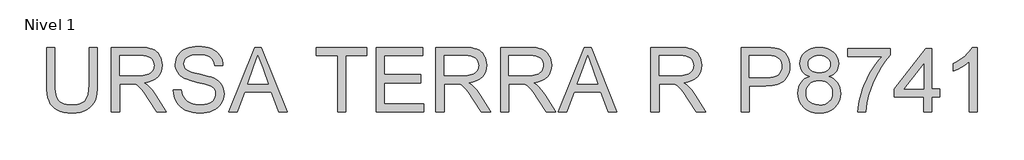
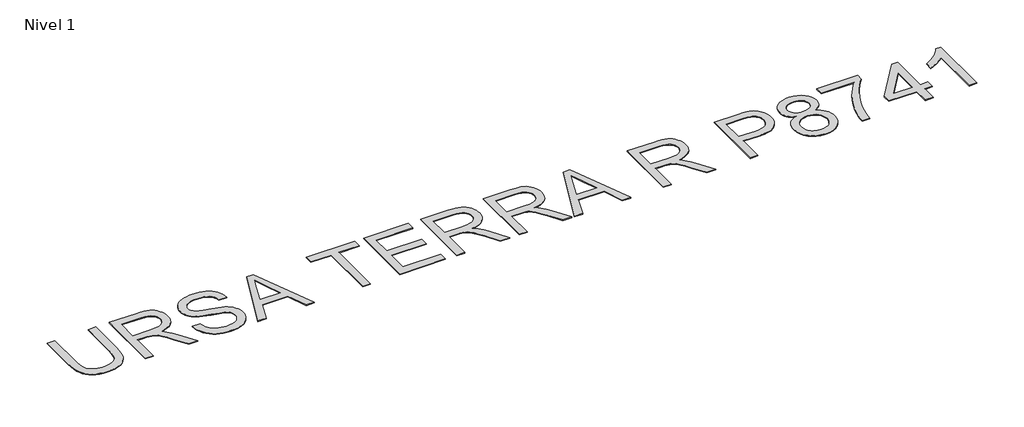
# One storey, part 2 of 8: 1 proxy.
"""IFC4 building model written with IfcOpenShell, lengths in millimetres."""

from ifc_helpers import new_model, si_unit, origin, origin_with_axes, place, context, project, spatial, polyline, outline, extrude, element, save

model = new_model("IFC4")

# Units and contexts
model_context = context("Model", 3, world=origin())
ifc_project = project(units=[si_unit("LENGTHUNIT", "METRE", prefix="MILLI")], contexts=[model_context])

# Site, building, storey
site = spatial("IfcSite", under=ifc_project)
building = spatial("IfcBuilding", under=site)
storey = spatial("IfcBuildingStorey", under=building, Name="Nivel 1", Elevation=0.0)

# Proxy
placement = place(None, origin())
element("IfcBuildingElementProxy", 1, Name="Texto de modelo 2", ObjectType="Texto de modelo 2", at=placement, inside=storey, context=model_context, shape_type="SweptSolid", body=[
    extrude(outline(polyline([(-9262.9050584, -14523.5321087), (-9137.3346707, -14523.5321087), (-9137.3346707, -15103.0688785), (-9139.4653206, -15174.8288601), (-9145.8572702, -15238.7866778), (-9156.5105197, -15294.9423316), (-9171.4250689, -15343.2958213), (-9191.8885049, -15385.6788928), (-9219.1884146, -15423.9232919), (-9253.3247981, -15458.0290186), (-9294.2976553, -15487.9960727), (-9342.1529715, -15512.406576), (-9396.9367319, -15529.8426497), (-9458.6489366, -15540.3042939), (-9527.2895856, -15543.7915087), (-9594.2364445, -15540.7564822), (-9654.7913537, -15531.6514028), (-9708.9543133, -15516.4762705), (-9756.7253232, -15495.2310853), (-9798.1120477, -15468.2300797), (-9833.1221509, -15435.7874863), (-9861.7556328, -15397.903305), (-9884.0124935, -15354.5775358), (-9900.6974749, -15304.3233224), (-9912.6153187, -15245.6538084), (-9919.7660249, -15178.5689938), (-9922.1495937, -15103.0688785), (-9922.1495937, -14523.5321087), (-9796.579206, -14523.5321087), (-9796.579206, -15098.6542945), (-9795.031036, -15159.3624879), (-9790.3865258, -15211.5020965), (-9782.6456755, -15255.0731203), (-9771.808485, -15290.0755593), (-9757.2005041, -15319.0386022), (-9738.1472825, -15344.4914378), (-9714.64882, -15366.434066), (-9686.7051168, -15384.8664868), (-9654.8526674, -15399.4591392), (-9619.6279663, -15409.8824624), (-9581.0310137, -15416.1364564), (-9539.0618094, -15418.221121), (-9469.8540091, -15414.097777), (-9411.3454434, -15401.7277449), (-9363.5361124, -15381.1110247), (-9343.64366, -15367.7101566), (-9326.4260162, -15352.2476165), (-9311.5382917, -15333.8535168), (-9298.6355971, -15311.6579697), (-9278.7852978, -15255.8625338), (-9266.8751182, -15184.8613087), (-9262.9050584, -15098.6542945), (-9262.9050584, -14523.5321087)])), origin_with_axes(), (0.0, 0.0, 1.0), 10.0),
    extrude(outline(polyline([(-8917.5864922, -15528.0952102), (-8917.5864922, -14523.5321087), (-8484.7120112, -14523.5321087), (-8422.5782751, -14525.2258987), (-8368.3693302, -14530.3072688), (-8322.0851767, -14538.7762189), (-8283.7258145, -14550.632749), (-8251.060959, -14566.7889), (-8221.8603257, -14588.1567125), (-8196.1239144, -14614.7361867), (-8173.8517253, -14646.5273224), (-8155.879157, -14681.8210014), (-8143.0416082, -14718.908105), (-8135.3390789, -14757.7886334), (-8132.7715692, -14798.4625864), (-8137.0252047, -14850.0580363), (-8149.7861114, -14897.4228432), (-8171.0542893, -14940.5570071), (-8200.8297383, -14979.4605281), (-8239.4956688, -15012.8918044), (-8287.4352913, -15039.6092343), (-8344.6486058, -15059.6128178), (-8411.1356122, -15072.9025549), (-8369.7488877, -15099.9418815), (-8339.7665051, -15126.6133261), (-8288.3243395, -15187.6204237), (-8237.9858198, -15255.8625338), (-8070.4768847, -15528.0952102), (-8216.4034094, -15528.0952102), (-8347.124145, -15319.8740009), (-8399.424702, -15240.41149), (-8441.5471905, -15182.0408801), (-8476.6492642, -15141.8497721), (-8507.8885769, -15116.9257669), (-8537.4724207, -15102.3024576), (-8567.6080875, -15093.0134373), (-8640.4487225, -15088.5988533), (-8792.0161045, -15088.5988533), (-8792.0161045, -15528.0952102), (-8917.5864922, -15528.0952102)]), holes=[polyline([(-8792.0161045, -14963.0284656), (-8510.9542602, -14963.0284656), (-8430.2348191, -14958.5832249), (-8367.6029094, -14945.2475025), (-8342.4183212, -14935.0234487), (-8320.4527004, -14922.1322505), (-8301.706047, -14906.5739078), (-8286.1783612, -14888.3484206), (-8273.9999343, -14868.3525013), (-8265.3010579, -14847.4828623), (-8260.0817321, -14825.7395036), (-8258.3419569, -14803.1224251), (-8261.660559, -14771.0093926), (-8271.6163655, -14741.8700729), (-8288.2093763, -14715.704466), (-8311.4395915, -14692.5125718), (-8341.8435056, -14673.5206638), (-8379.9576131, -14659.9550153), (-8425.7819141, -14651.8156261), (-8479.3164086, -14649.1024964), (-8792.0161045, -14649.1024964), (-8792.0161045, -14963.0284656)])]), origin_with_axes(), (0.0, 0.0, 1.0), 10.0),
    extrude(outline(polyline([(-7960.1122861, -15182.7766441), (-7834.5418984, -15182.7766441), (-7828.7937422, -15219.3272531), (-7820.1331869, -15252.4596253), (-7808.5602325, -15282.1737606), (-7794.0748789, -15308.4696591), (-7775.9413623, -15331.876151), (-7753.4239185, -15352.9220668), (-7726.5225476, -15371.6074065), (-7695.2372496, -15387.9321701), (-7660.7176557, -15401.1835861), (-7624.1133972, -15410.6488833), (-7585.424474, -15416.3280616), (-7544.6508862, -15418.221121), (-7474.6919935, -15412.4882932), (-7442.9774998, -15405.3222585), (-7413.4396413, -15395.28981), (-7386.8065177, -15382.7511653), (-7363.8062287, -15368.0665423), (-7344.4387745, -15351.235941), (-7328.704155, -15332.2593615), (-7316.5257282, -15311.9568738), (-7307.8268518, -15291.1485485), (-7302.607526, -15269.8343854), (-7300.8677507, -15248.0143846), (-7306.0794123, -15205.9838666), (-7321.7143971, -15169.6555196), (-7334.8661785, -15153.5376897), (-7353.4748761, -15138.6614615), (-7377.5404899, -15125.026835), (-7407.06302, -15112.6338103), (-7473.3737496, -15092.9214668), (-7589.9003716, -15064.6865236), (-7709.9218725, -15032.9567015), (-7753.7228226, -15017.6666061), (-7786.717239, -15002.7597211), (-7820.2481501, -14982.7561376), (-7849.2265214, -14960.5146053), (-7873.652353, -14936.0351242), (-7893.525645, -14909.3176943), (-7908.9230393, -14880.6382271), (-7919.9211781, -14850.2726341), (-7926.5200614, -14818.2209153), (-7928.7196892, -14784.4830706), (-7925.9988953, -14747.0893987), (-7917.8365135, -14710.9373284), (-7904.2325439, -14676.0268599), (-7885.1869864, -14642.3579932), (-7860.9144389, -14611.3026214), (-7831.6294993, -14584.2326379), (-7797.3321674, -14561.1480427), (-7758.0224434, -14542.0488358), (-7715.0262352, -14527.0806371), (-7669.6694509, -14516.3890666), (-7621.9520904, -14509.9741244), (-7571.8741539, -14507.8358103), (-7517.2436776, -14510.0737591), (-7465.9241392, -14516.7876055), (-7417.9155389, -14527.9773495), (-7373.2178765, -14543.6429911), (-7332.6588865, -14563.6465746), (-7297.0663035, -14587.8501442), (-7266.4401274, -14616.2536999), (-7240.7803582, -14648.8572417), (-7220.2862654, -14684.7104079), (-7205.1571183, -14722.8628364), (-7195.392917, -14763.3145275), (-7190.9936615, -14806.065481), (-7316.5640492, -14806.065481), (-7324.9640214, -14765.9970004), (-7339.6179876, -14731.1401813), (-7360.5259476, -14701.4950239), (-7387.6879016, -14677.061528), (-7421.6096872, -14657.9623211), (-7462.7971423, -14644.3200305), (-7511.2502667, -14636.1346561), (-7566.9690606, -14633.4061979), (-7624.4659507, -14636.1039992), (-7673.5935255, -14644.1974031), (-7714.3517849, -14657.6864096), (-7746.7407289, -14676.5710187), (-7771.4194794, -14699.2724035), (-7789.0471583, -14724.2117371), (-7799.6237657, -14751.3890195), (-7803.1493015, -14780.8042507), (-7800.6507696, -14806.1114663), (-7793.155174, -14829.0581057), (-7780.6625145, -14849.644169), (-7763.1727913, -14867.8696562), (-7735.6429554, -14885.1294531), (-7692.2941936, -14902.5731911), (-7633.1265061, -14920.20087), (-7558.1398927, -14938.01249), (-7419.6936352, -14971.6736925), (-7370.9799277, -14986.8948101), (-7335.9391676, -15001.0429385), (-7297.4418497, -15022.4873931), (-7264.3554627, -15046.5989922), (-7236.6800068, -15073.3777358), (-7214.4154819, -15102.8236238), (-7197.3013049, -15134.7833721), (-7185.0768928, -15169.1036966), (-7177.7422455, -15205.7845972), (-7175.2973631, -15244.8260739), (-7178.1101275, -15284.1051411), (-7186.5484207, -15322.2345771), (-7200.6122428, -15359.2143818), (-7220.3015938, -15395.0445553), (-7245.2715842, -15428.3378759), (-7275.1773247, -15457.7071218), (-7310.0188154, -15483.1522931), (-7349.7960561, -15504.6733899), (-7393.3517515, -15521.7875668), (-7439.5286061, -15534.011979), (-7488.3266199, -15541.3466263), (-7539.7457929, -15543.7915087), (-7603.9795221, -15541.155021), (-7662.7716635, -15533.2455581), (-7716.122217, -15520.06312), (-7764.0311827, -15501.6077066), (-7806.7898004, -15477.848661), (-7844.6893101, -15448.7553266), (-7877.7297118, -15414.3277032), (-7905.9110055, -15374.5657909), (-7928.6123903, -15330.7571766), (-7945.2130653, -15284.1894474), (-7955.7130306, -15234.8626032), (-7960.1122861, -15182.7766441)])), origin_with_axes(), (0.0, 0.0, 1.0), 10.0),
    extrude(outline(polyline([(-7103.928256, -15528.0952102), (-6702.9368812, -14523.5321087), (-6596.005848, -14523.5321087), (-6195.0144732, -15528.0952102), (-6327.6972462, -15528.0952102), (-6442.7216833, -15214.169241), (-6856.4663006, -15214.169241), (-6971.2454831, -15528.0952102), (-7103.928256, -15528.0952102)]), holes=[polyline([(-6810.3584238, -15088.5988533), (-6488.5843054, -15088.5988533), (-6579.0832762, -14841.6274072), (-6649.4713646, -14649.1024964), (-6712.0113038, -14820.0449968), (-6810.3584238, -15088.5988533)])]), origin_with_axes(), (0.0, 0.0, 1.0), 10.0),
    extrude(outline(polyline([(-5417.3119354, -15528.0952102), (-5417.3119354, -14649.1024964), (-5746.9342031, -14649.1024964), (-5746.9342031, -14523.5321087), (-4962.1192801, -14523.5321087), (-4962.1192801, -14649.1024964), (-5291.7415477, -14649.1024964), (-5291.7415477, -15528.0952102), (-5417.3119354, -15528.0952102)])), origin_with_axes(), (0.0, 0.0, 1.0), 10.0),
    extrude(outline(polyline([(-4820.8525939, -15528.0952102), (-4820.8525939, -14523.5321087), (-4098.8228647, -14523.5321087), (-4098.8228647, -14649.1024964), (-4695.2822062, -14649.1024964), (-4695.2822062, -14947.3321672), (-4130.2154616, -14947.3321672), (-4130.2154616, -15072.9025549), (-4695.2822062, -15072.9025549), (-4695.2822062, -15402.5248225), (-4083.1265663, -15402.5248225), (-4083.1265663, -15528.0952102), (-4820.8525939, -15528.0952102)])), origin_with_axes(), (0.0, 0.0, 1.0), 10.0),
    extrude(outline(polyline([(-3894.7709847, -15528.0952102), (-3894.7709847, -14523.5321087), (-3461.8965037, -14523.5321087), (-3399.7627676, -14525.2258987), (-3345.5538228, -14530.3072688), (-3299.2696692, -14538.7762189), (-3260.910307, -14550.632749), (-3228.2454516, -14566.7889), (-3199.0448182, -14588.1567125), (-3173.3084069, -14614.7361867), (-3151.0362178, -14646.5273224), (-3133.0636495, -14681.8210014), (-3120.2261007, -14718.908105), (-3112.5235714, -14757.7886334), (-3109.9560617, -14798.4625864), (-3114.2096973, -14850.0580363), (-3126.970604, -14897.4228432), (-3148.2387818, -14940.5570071), (-3178.0142308, -14979.4605281), (-3216.6801613, -15012.8918044), (-3264.6197838, -15039.6092343), (-3321.8330983, -15059.6128178), (-3388.3201047, -15072.9025549), (-3346.9333802, -15099.9418815), (-3316.9509976, -15126.6133261), (-3265.508832, -15187.6204237), (-3215.1703123, -15255.8625338), (-3047.6613772, -15528.0952102), (-3193.5879019, -15528.0952102), (-3324.3086375, -15319.8740009), (-3376.6091945, -15240.41149), (-3418.731683, -15182.0408801), (-3453.8337567, -15141.8497721), (-3485.0730694, -15116.9257669), (-3514.6569132, -15102.3024576), (-3544.79258, -15093.0134373), (-3617.633215, -15088.5988533), (-3769.200597, -15088.5988533), (-3769.200597, -15528.0952102), (-3894.7709847, -15528.0952102)]), holes=[polyline([(-3769.200597, -14963.0284656), (-3488.1387527, -14963.0284656), (-3407.4193116, -14958.5832249), (-3344.7874019, -14945.2475025), (-3319.6028137, -14935.0234487), (-3297.6371929, -14922.1322505), (-3278.8905396, -14906.5739078), (-3263.3628537, -14888.3484206), (-3251.1844268, -14868.3525013), (-3242.4855504, -14847.4828623), (-3237.2662246, -14825.7395036), (-3235.5264494, -14803.1224251), (-3238.8450515, -14771.0093926), (-3248.800858, -14741.8700729), (-3265.3938689, -14715.704466), (-3288.624084, -14692.5125718), (-3319.0279981, -14673.5206638), (-3357.1421056, -14659.9550153), (-3402.9664066, -14651.8156261), (-3456.5009011, -14649.1024964), (-3769.200597, -14649.1024964), (-3769.200597, -14963.0284656)])]), origin_with_axes(), (0.0, 0.0, 1.0), 10.0),
    extrude(outline(polyline([(-2890.2078832, -15528.0952102), (-2890.2078832, -14523.5321087), (-2457.3334022, -14523.5321087), (-2395.1996661, -14525.2258987), (-2340.9907213, -14530.3072688), (-2294.7065678, -14538.7762189), (-2256.3472055, -14550.632749), (-2223.6823501, -14566.7889), (-2194.4817167, -14588.1567125), (-2168.7453054, -14614.7361867), (-2146.4731163, -14646.5273224), (-2128.500548, -14681.8210014), (-2115.6629992, -14718.908105), (-2107.9604699, -14757.7886334), (-2105.3929602, -14798.4625864), (-2109.6465958, -14850.0580363), (-2122.4075025, -14897.4228432), (-2143.6756803, -14940.5570071), (-2173.4511293, -14979.4605281), (-2212.1170598, -15012.8918044), (-2260.0566823, -15039.6092343), (-2317.2699968, -15059.6128178), (-2383.7570032, -15072.9025549), (-2342.3702788, -15099.9418815), (-2312.3878961, -15126.6133261), (-2260.9457305, -15187.6204237), (-2210.6072108, -15255.8625338), (-2043.0982757, -15528.0952102), (-2189.0248004, -15528.0952102), (-2319.745536, -15319.8740009), (-2372.046093, -15240.41149), (-2414.1685815, -15182.0408801), (-2449.2706552, -15141.8497721), (-2480.5099679, -15116.9257669), (-2510.0938117, -15102.3024576), (-2540.2294785, -15093.0134373), (-2613.0701135, -15088.5988533), (-2764.6374955, -15088.5988533), (-2764.6374955, -15528.0952102), (-2890.2078832, -15528.0952102)]), holes=[polyline([(-2764.6374955, -14963.0284656), (-2483.5756512, -14963.0284656), (-2402.8562101, -14958.5832249), (-2340.2243004, -14945.2475025), (-2315.0397122, -14935.0234487), (-2293.0740914, -14922.1322505), (-2274.3274381, -14906.5739078), (-2258.7997522, -14888.3484206), (-2246.6213253, -14868.3525013), (-2237.922449, -14847.4828623), (-2232.7031231, -14825.7395036), (-2230.9633479, -14803.1224251), (-2234.28195, -14771.0093926), (-2244.2377565, -14741.8700729), (-2260.8307674, -14715.704466), (-2284.0609825, -14692.5125718), (-2314.4648966, -14673.5206638), (-2352.5790041, -14659.9550153), (-2398.4033051, -14651.8156261), (-2451.9377996, -14649.1024964), (-2764.6374955, -14649.1024964), (-2764.6374955, -14963.0284656)])]), origin_with_axes(), (0.0, 0.0, 1.0), 10.0),
    extrude(outline(polyline([(-2002.6312562, -15528.0952102), (-1601.6398815, -14523.5321087), (-1494.7088482, -14523.5321087), (-1093.7174735, -15528.0952102), (-1226.4002464, -15528.0952102), (-1341.4246835, -15214.169241), (-1755.1693008, -15214.169241), (-1869.9484833, -15528.0952102), (-2002.6312562, -15528.0952102)]), holes=[polyline([(-1709.0614241, -15088.5988533), (-1387.2873056, -15088.5988533), (-1477.7862764, -14841.6274072), (-1548.1743648, -14649.1024964), (-1610.714304, -14820.0449968), (-1709.0614241, -15088.5988533)])]), origin_with_axes(), (0.0, 0.0, 1.0), 10.0),
    extrude(outline(polyline([(-567.155711, -15528.0952102), (-567.155711, -14523.5321087), (-134.28123, -14523.5321087), (-72.1474939, -14525.2258987), (-17.9385491, -14530.3072688), (28.3456045, -14538.7762189), (66.7049667, -14550.632749), (99.3698222, -14566.7889), (128.5704555, -14588.1567125), (154.3068668, -14614.7361867), (176.5790559, -14646.5273224), (194.5516242, -14681.8210014), (207.389173, -14718.908105), (215.0917023, -14757.7886334), (217.659212, -14798.4625864), (213.4055764, -14850.0580363), (200.6446697, -14897.4228432), (179.3764919, -14940.5570071), (149.6010429, -14979.4605281), (110.9351124, -15012.8918044), (62.9954899, -15039.6092343), (5.7821754, -15059.6128178), (-60.704831, -15072.9025549), (-19.3181065, -15099.9418815), (10.6642761, -15126.6133261), (62.1064417, -15187.6204237), (112.4449614, -15255.8625338), (279.9538965, -15528.0952102), (134.0273718, -15528.0952102), (3.3066362, -15319.8740009), (-48.9939208, -15240.41149), (-91.1164093, -15182.0408801), (-126.218483, -15141.8497721), (-157.4577957, -15116.9257669), (-187.0416395, -15102.3024576), (-217.1773063, -15093.0134373), (-290.0179413, -15088.5988533), (-441.5853233, -15088.5988533), (-441.5853233, -15528.0952102), (-567.155711, -15528.0952102)]), holes=[polyline([(-441.5853233, -14963.0284656), (-160.523479, -14963.0284656), (-79.8040379, -14958.5832249), (-17.1721282, -14945.2475025), (8.01246, -14935.0234487), (29.9780808, -14922.1322505), (48.7247341, -14906.5739078), (64.25242, -14888.3484206), (76.4308469, -14868.3525013), (85.1297233, -14847.4828623), (90.3490491, -14825.7395036), (92.0888243, -14803.1224251), (88.7702222, -14771.0093926), (78.8144157, -14741.8700729), (62.2214048, -14715.704466), (38.9911897, -14692.5125718), (8.5872756, -14673.5206638), (-29.5268319, -14659.9550153), (-75.3511329, -14651.8156261), (-128.8856274, -14649.1024964), (-441.5853233, -14649.1024964), (-441.5853233, -14963.0284656)])]), origin_with_axes(), (0.0, 0.0, 1.0), 10.0),
    extrude(outline(polyline([(829.814852, -15528.0952102), (829.814852, -14523.5321087), (1202.1114311, -14523.5321087), (1288.8089546, -14525.9233417), (1352.2072851, -14533.0970406), (1387.1484105, -14540.6309573), (1419.1311514, -14550.9699742), (1448.155508, -14564.1140913), (1474.2214802, -14580.0633086), (1497.6049795, -14599.1471871), (1518.5819175, -14621.6952878), (1537.152294, -14647.7076105), (1553.3161092, -14677.1841554), (1566.4065768, -14709.1515679), (1575.7569109, -14742.6364937), (1581.3671113, -14777.6389327), (1583.2371781, -14814.1588849), (1578.1864649, -14875.8251044), (1563.0343252, -14932.5555737), (1537.7807591, -14984.3502929), (1502.4257665, -15031.2092621), (1480.1899824, -15052.0175874), (1453.8883358, -15070.0514694), (1423.5208267, -15085.310908), (1389.0874552, -15097.7959032), (1350.5882212, -15107.506455), (1308.0231247, -15114.4425635), (1210.6953443, -15119.9914502), (955.3852397, -15119.9914502), (955.3852397, -15528.0952102), (829.814852, -15528.0952102)]), holes=[polyline([(955.3852397, -14994.4210625), (1218.0529842, -14994.4210625), (1278.4469451, -14991.5393203), (1329.3986014, -14982.8940934), (1370.9079532, -14968.4853819), (1402.9750005, -14948.3131858), (1426.9026586, -14922.9139997), (1443.9938429, -14892.8243182), (1454.2485536, -14858.0441413), (1457.6667904, -14818.5734689), (1455.6511037, -14789.2655366), (1449.6040434, -14762.1648963), (1439.5256095, -14737.2715479), (1425.4158022, -14714.5854915), (1408.0257137, -14694.8424911), (1388.1064365, -14678.7783107), (1365.6579706, -14666.3929502), (1340.680316, -14657.6864096), (1292.2425199, -14651.2484747), (1215.1099283, -14649.1024964), (955.3852397, -14649.1024964), (955.3852397, -14994.4210625)])]), origin_with_axes(), (0.0, 0.0, 1.0), 10.0),
    extrude(outline(polyline([(1891.7675447, -14974.8006895), (1855.6461313, -14959.7175277), (1824.5371101, -14941.6913099), (1798.4404811, -14920.7220362), (1777.3562442, -14896.8097065), (1761.1004586, -14870.1842471), (1749.4891831, -14841.0755842), (1742.5224178, -14809.4837179), (1740.2001627, -14775.4086481), (1745.2585402, -14724.1964087), (1760.4336725, -14677.245469), (1785.7255596, -14634.5558292), (1821.1342017, -14596.1274891), (1864.9581443, -14564.3670102), (1915.4959334, -14541.6809538), (1972.7475689, -14528.06932), (2036.7130508, -14523.5321087), (2100.9851011, -14528.1766189), (2158.6659322, -14542.1101495), (2209.7555443, -14565.3327004), (2254.2539373, -14597.8442717), (2290.3063728, -14637.0237042), (2316.0581125, -14680.2498387), (2331.5091563, -14727.522675), (2336.6595042, -14778.8422134), (2334.367906, -14811.7140025), (2327.4931112, -14842.393828), (2316.0351199, -14870.88169), (2299.9939321, -14897.1775885), (2279.2929056, -14920.9289698), (2253.8553985, -14941.7832804), (2223.6814107, -14959.7405203), (2188.7709422, -14974.8006895), (2230.0427035, -14992.3593905), (2266.056818, -15014.6239154), (2296.8132856, -15041.5942642), (2322.3121064, -15073.2704368), (2342.3233541, -15108.9473262), (2356.6171025, -15147.919825), (2365.1933515, -15190.1879334), (2368.0521012, -15235.7516514), (2362.3805871, -15298.3835611), (2345.3660448, -15355.8038091), (2317.0084743, -15408.0123956), (2277.3078757, -15455.0093205), (2253.7251069, -15475.8176459), (2228.3489135, -15493.8515278), (2201.1792953, -15509.1109664), (2172.2162524, -15521.5959616), (2108.9098924, -15538.2426219), (2038.4298335, -15543.7915087), (1967.9497746, -15538.2196293), (1904.6434146, -15521.5039911), (1875.6803717, -15508.9672625), (1848.5107535, -15493.6445942), (1823.13456, -15475.5359862), (1799.5517913, -15454.6414385), (1759.8511926, -15407.3149527), (1731.4936222, -15354.4855653), (1714.4790799, -15296.1532765), (1708.8075658, -15232.3180861), (1711.7812786, -15184.6773677), (1720.702417, -15141.0833513), (1735.570981, -15101.5360368), (1756.3869705, -15066.0354243), (1782.6905332, -15035.2253072), (1814.0218164, -15009.749479), (1850.3808203, -14989.6079398), (1891.7675447, -14974.8006895)]), holes=[polyline([(1865.7705504, -14779.087468), (1868.552658, -14807.8742342), (1876.8989808, -14833.9018853), (1890.8095187, -14857.1704215), (1910.2842718, -14877.6798427), (1935.0779855, -14894.4184735), (1964.9454049, -14906.3746384), (1999.8865303, -14913.5483373), (2039.9013615, -14915.9395702), (2078.9275098, -14913.5636657), (2113.1098785, -14906.435952), (2142.4484676, -14894.5564293), (2166.9432771, -14877.9250974), (2186.2570819, -14857.8448718), (2200.0526567, -14835.618668), (2208.3300016, -14811.2464858), (2211.0891165, -14784.7283253), (2208.2380311, -14757.1754967), (2199.6847747, -14731.9066022), (2185.4293474, -14708.9216417), (2165.4717491, -14688.2206152), (2140.4251166, -14671.1064382), (2110.9025865, -14658.8820261), (2076.9041588, -14651.5473788), (2038.4298335, -14649.1024964), (1999.656604, -14651.4937294), (1965.4972279, -14658.6674283), (1935.9517052, -14670.6235931), (1911.0200358, -14687.3622239), (1891.223386, -14707.4424495), (1877.0829218, -14729.4233987), (1868.5986432, -14753.3050715), (1865.7705504, -14779.087468)]), polyline([(1834.3779535, -15227.9035022), (1839.6202719, -15275.9427594), (1855.3472272, -15322.4491749), (1867.8475508, -15344.0239211), (1884.379248, -15363.0081649), (1904.9423187, -15379.4019063), (1929.5367629, -15393.2051453), (1983.6154162, -15411.9671271), (2039.4108521, -15418.221121), (2084.8136217, -15414.9331757), (2124.8821023, -15405.0693397), (2159.6162941, -15388.629613), (2189.0161968, -15365.6139957), (2212.4073604, -15337.5246725), (2229.1153343, -15305.8638283), (2239.1401187, -15270.6314631), (2242.4817135, -15231.8275768), (2239.0328198, -15192.4028896), (2228.6861387, -15156.5343951), (2211.4416701, -15124.2220932), (2187.2994142, -15095.4659839), (2157.1024338, -15071.8602225), (2121.6937917, -15054.9989644), (2081.0734881, -15044.8822096), (2035.2415229, -15041.5099579), (1990.5055394, -15044.8362243), (1950.9658891, -15054.8150234), (1916.622572, -15071.4463553), (1887.4755881, -15094.7302199), (1864.245373, -15123.0111483), (1847.6523621, -15154.6336714), (1837.6965557, -15189.5977894), (1834.3779535, -15227.9035022)])]), origin_with_axes(), (0.0, 0.0, 1.0), 10.0),
    extrude(outline(polyline([(2477.9261904, -14664.7987949), (2477.9261904, -14539.2284072), (3137.1707257, -14539.2284072), (3137.1707257, -14640.7638379), (3090.0741662, -14696.1837276), (3043.2075328, -14759.6816928), (2996.5708257, -14831.2577335), (2950.1640449, -14910.9118496), (2906.5010506, -14995.1951476), (2868.0957031, -15080.6587336), (2834.9480025, -15167.3026077), (2807.0579487, -15255.1267698), (2790.4419453, -15318.9083107), (2777.1368798, -15385.6635644), (2767.1427523, -15455.3925309), (2760.4595627, -15528.0952102), (2634.889175, -15528.0952102), (2638.8362422, -15466.4289908), (2648.470152, -15398.6620616), (2663.7909042, -15324.7944226), (2684.798499, -15244.8260739), (2711.2476816, -15162.5507986), (2742.8931974, -15081.7623796), (2779.7350464, -15002.460817), (2821.7732285, -14924.6461108), (2867.1146844, -14850.6021951), (2913.8663547, -14782.6130038), (2962.0282392, -14720.6785371), (3011.6003381, -14664.7987949), (2477.9261904, -14664.7987949)])), origin_with_axes(), (0.0, 0.0, 1.0), 10.0),
    extrude(outline(polyline([(3655.148575, -15528.0952102), (3655.148575, -15292.6507333), (3199.9559196, -15292.6507333), (3199.9559196, -15167.0803456), (3686.5411719, -14539.2284072), (3780.7189626, -14539.2284072), (3780.7189626, -15167.0803456), (3906.2893503, -15167.0803456), (3906.2893503, -15292.6507333), (3780.7189626, -15292.6507333), (3780.7189626, -15528.0952102), (3655.148575, -15528.0952102)]), holes=[polyline([(3655.148575, -15167.0803456), (3655.148575, -14779.087468), (3354.4663576, -15167.0803456), (3655.148575, -15167.0803456)])]), origin_with_axes(), (0.0, 0.0, 1.0), 10.0),
    extrude(outline(polyline([(4487.0523934, -15528.0952102), (4361.4820057, -15528.0952102), (4361.4820057, -14745.2423245), (4309.0588214, -14787.6407244), (4242.5334939, -14829.9778107), (4172.6972285, -14866.9806081), (4110.3412303, -14893.3761412), (4110.3412303, -14774.6728841), (4161.3005509, -14749.1204138), (4208.9642619, -14721.0234265), (4253.3323633, -14690.381922), (4294.4048552, -14657.1959003), (4330.9554643, -14622.9982032), (4361.7579172, -14589.3216722), (4386.8122139, -14556.1663074), (4406.1183544, -14523.5321087), (4487.0523934, -14523.5321087), (4487.0523934, -15528.0952102)])), origin_with_axes(), (0.0, 0.0, 1.0), 10.0),
])

save(model, "model.ifc")
